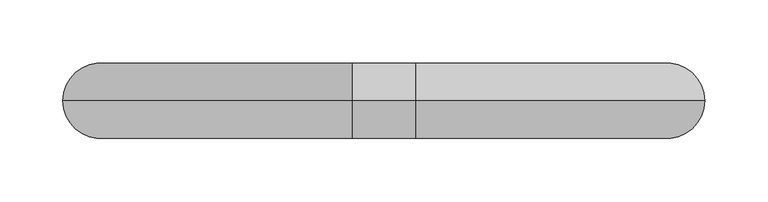
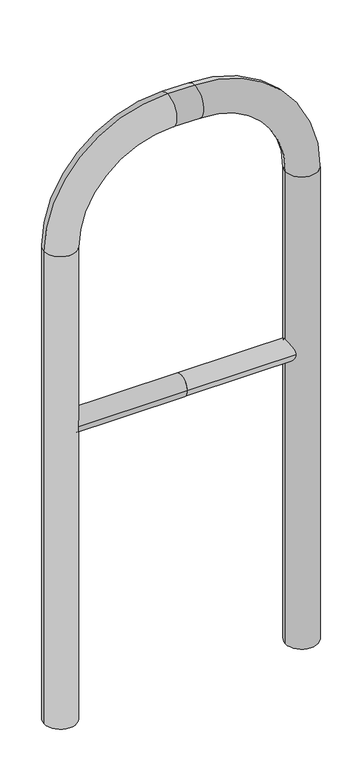
"""IFC4 building model written with IfcOpenShell, lengths in millimetres: proxy geometry."""

from ifc_helpers import new_model, si_unit, point, frame, frame_2d, origin, place, context, project, spatial, circle_curve, ellipse_curve, trimmed, segment, composite_curve, outline, extrude, source, transform, mapped, element, save
from ifc_brep_helpers import plane_surface, cylinder_surface, revolved_surface, advanced_brep


def generic_models_94ead924(model_context):
    return source(origin(), model_context, "Body", "SolidModel", [
        extrude(outline(composite_curve([segment(trimmed(circle_curve(frame_2d((0.0, 498.4778375)), 20.0), [point((-20.0, 498.4778375))], [point((20.0, 498.4778375))], False, "CARTESIAN"), True, "CONTINUOUS"), segment(trimmed(circle_curve(frame_2d((0.0, 498.4778375)), 20.0), [point((20.0, 498.4778375))], [point((-20.0, 498.4778375))], False, "CARTESIAN"), True, "CONTINUOUS")], self_intersect=False)), frame((-225.0758042, 0.0, 0.0), z_axis=(1.0, 0.0, 0.0), x_axis=(0.0, 1.0, 0.0)), (0.0, 0.0, 1.0), 225.0758042),
        extrude(outline(composite_curve([segment(trimmed(circle_curve(frame_2d((0.0, 498.4778375)), 20.0), [point((-20.0, 498.4778375))], [point((20.0, 498.4778375))], False, "CARTESIAN"), True, "CONTINUOUS"), segment(trimmed(circle_curve(frame_2d((0.0, 498.4778375)), 20.0), [point((20.0, 498.4778375))], [point((-20.0, 498.4778375))], False, "CARTESIAN"), True, "CONTINUOUS")], self_intersect=False)), frame((0.0, 0.0, 0.0), z_axis=(1.0, 0.0, 0.0), x_axis=(0.0, 1.0, 0.0)), (0.0, 0.0, 1.0), 225.0758042),
        advanced_brep(
        [(-195.0758042, 0.0, -80.0), (-255.0758042, 0.0, -80.0), (-195.0758042, 0.0, 850.0), (-255.0758042, 0.0, 850.0), (-25.0758042, 0.0, 1080.0), (-25.0758042, 0.0, 1020.0), (25.0758042, 0.0, 1020.0), (25.0758042, 0.0, 1080.0), (255.0758042, 0.0, 850.0), (195.0758042, 0.0, 850.0), (195.0758042, 0.0, -80.0), (255.0758042, 0.0, -80.0)],
        [
            (0, 1, circle_curve(frame((-225.0758042, 0.0, -80.0), z_axis=(0.0, 0.0, -1.0), x_axis=(-1.0, 0.0, 0.0)), 30.0)),
            (1, 0, circle_curve(frame((-225.0758042, 0.0, -80.0), z_axis=(0.0, 0.0, -1.0), x_axis=(-1.0, 0.0, 0.0)), 30.0)),
            (0, 2),
            (2, 3, circle_curve(frame((-225.0758042, 0.0, 850.0), z_axis=(0.0, 0.0, -1.0), x_axis=(-1.0, 0.0, 0.0)), 30.0)),
            (3, 1),
            (3, 2, circle_curve(frame((-225.0758042, 0.0, 850.0), z_axis=(0.0, 0.0, -1.0), x_axis=(-1.0, 0.0, 0.0)), 30.0)),
            (4, 3, circle_curve(frame((-25.0758042, 0.0, 850.0), z_axis=(0.0, -1.0, 0.0), x_axis=(-1.0, 0.0, 0.0)), 230.0)),
            (2, 5, circle_curve(frame((-25.0758042, 0.0, 850.0), z_axis=(0.0, 1.0, 0.0), x_axis=(-1.0, 0.0, 0.0)), 170.0)),
            (5, 4, circle_curve(frame((-25.0758042, 0.0, 1050.0), z_axis=(-1.0, 0.0, 0.0), x_axis=(0.0, 0.0, 1.0)), 30.0)),
            (4, 5, circle_curve(frame((-25.0758042, 0.0, 1050.0), z_axis=(-1.0, 0.0, 0.0), x_axis=(0.0, 0.0, 1.0)), 30.0)),
            (5, 6),
            (6, 7, circle_curve(frame((25.0758042, 0.0, 1050.0), z_axis=(-1.0, 0.0, 0.0), x_axis=(0.0, 0.0, 1.0)), 30.0)),
            (7, 4),
            (7, 6, circle_curve(frame((25.0758042, 0.0, 1050.0), z_axis=(-1.0, 0.0, 0.0), x_axis=(0.0, 0.0, 1.0)), 30.0)),
            (8, 7, circle_curve(frame((25.0758042, 0.0, 850.0), z_axis=(0.0, -1.0, 0.0), x_axis=(0.0, 0.0, 1.0)), 230.0)),
            (6, 9, circle_curve(frame((25.0758042, 0.0, 850.0), z_axis=(0.0, 1.0, 0.0), x_axis=(0.0, 0.0, 1.0)), 170.0)),
            (9, 8, circle_curve(frame((225.0758042, 0.0, 850.0), z_axis=(0.0, 0.0, 1.0), x_axis=(1.0, 0.0, 0.0)), 30.0)),
            (8, 9, circle_curve(frame((225.0758042, 0.0, 850.0), z_axis=(0.0, 0.0, 1.0), x_axis=(1.0, 0.0, 0.0)), 30.0)),
            (10, 11, circle_curve(frame((225.0758042, 0.0, -80.0), z_axis=(0.0, 0.0, -1.0), x_axis=(1.0, 0.0, 0.0)), 30.0)),
            (11, 10, circle_curve(frame((225.0758042, 0.0, -80.0), z_axis=(0.0, 0.0, -1.0), x_axis=(1.0, 0.0, 0.0)), 30.0)),
            (9, 10),
            (11, 8),
        ],
        [
            plane_surface(frame((-225.0758042, 0.0, -80.0), z_axis=(0.0, 0.0, -1.0), x_axis=(0.0, -1.0, 0.0))),
            cylinder_surface(frame((-225.0758042, 0.0, -80.0), z_axis=(0.0, 0.0, -1.0), x_axis=(-1.0, 0.0, 0.0)), 30.0),
            revolved_surface(trimmed(ellipse_curve(frame((-225.0758042, 0.0, 850.0), z_axis=(0.0, 0.0, -1.0), x_axis=(-1.0, 0.0, 0.0)), 30.0, 30.0), [point((-195.0758042, 0.0, 850.0))], [point((-255.0758042, 0.0, 850.0))], True, "CARTESIAN"), (-25.0758042, 0.0, 850.0), (0.0, 1.0, 0.0)),
            revolved_surface(trimmed(ellipse_curve(frame((-225.0758042, 0.0, 850.0), z_axis=(0.0, 0.0, -1.0), x_axis=(-1.0, 0.0, 0.0)), 30.0, 30.0), [point((-255.0758042, 0.0, 850.0))], [point((-195.0758042, 0.0, 850.0))], True, "CARTESIAN"), (-25.0758042, 0.0, 850.0), (0.0, 1.0, 0.0)),
            cylinder_surface(frame((-25.0758042, 0.0, 1050.0), z_axis=(-1.0, 0.0, 0.0), x_axis=(0.0, 0.0, 1.0)), 30.0),
            revolved_surface(trimmed(ellipse_curve(frame((25.0758042, 0.0, 1050.0), z_axis=(-1.0, 0.0, 0.0), x_axis=(0.0, 0.0, 1.0)), 30.0, 30.0), [point((25.0758042, 0.0, 1020.0))], [point((25.0758042, 0.0, 1080.0))], True, "CARTESIAN"), (25.0758042, 0.0, 850.0), (0.0, 1.0, 0.0)),
            revolved_surface(trimmed(ellipse_curve(frame((25.0758042, 0.0, 1050.0), z_axis=(-1.0, 0.0, 0.0), x_axis=(0.0, 0.0, 1.0)), 30.0, 30.0), [point((25.0758042, 0.0, 1080.0))], [point((25.0758042, 0.0, 1020.0))], True, "CARTESIAN"), (25.0758042, 0.0, 850.0), (0.0, 1.0, 0.0)),
            plane_surface(frame((225.0758042, 0.0, -80.0), z_axis=(0.0, 0.0, -1.0), x_axis=(0.0, -1.0, 0.0))),
            cylinder_surface(frame((225.0758042, 0.0, 850.0), z_axis=(0.0, 0.0, 1.0), x_axis=(1.0, 0.0, 0.0)), 30.0),
        ],
        [
            (0, [[1, 2]]),
            (1, [[-1, 3, 4, 5]]),
            (1, [[-2, -5, 6, -3]]),
            (2, [[7, -4, 8, 9]]),
            (3, [[-8, -6, -7, 10]]),
            (4, [[-9, 11, 12, 13]]),
            (4, [[-10, -13, 14, -11]]),
            (5, [[15, -12, 16, 17]]),
            (6, [[-16, -14, -15, 18]]),
            (7, [[19, 20]]),
            (8, [[-17, 21, -20, 22]]),
            (8, [[-18, -22, -19, -21]]),
        ],
    ),
    ])


if __name__ == "__main__":
    model = new_model("IFC4")
    model_context = context("Model", 3, world=origin())
    ifc_project = project(units=[si_unit("LENGTHUNIT", "METRE", prefix="MILLI")], contexts=[model_context])
    site = spatial("IfcSite", under=ifc_project)
    building = spatial("IfcBuilding", under=site)
    placement = place(None, origin())
    generic_models_shape = generic_models_94ead924(model_context)
    element("IfcBuildingElementProxy", 1, Name="Generic Models", at=placement, inside=building, context=model_context, shape_type="MappedRepresentation", body=[
        mapped(generic_models_shape, transform((0.0, 0.0, 0.0), x_axis=(1.0, 0.0, 0.0), y_axis=(0.0, 1.0, 0.0), z_axis=(0.0, 0.0, 1.0))),
    ])
    save(model, "model.ifc")
